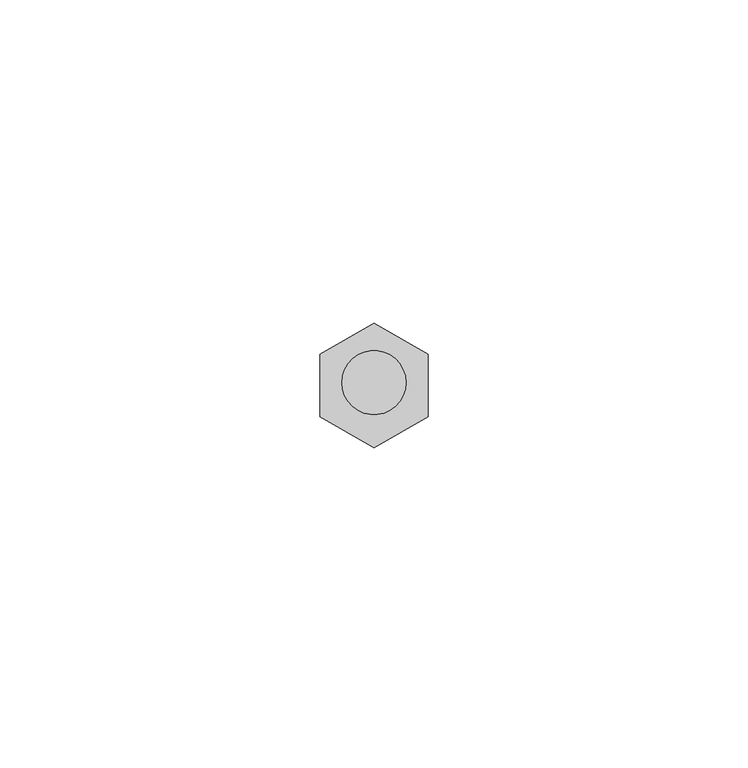
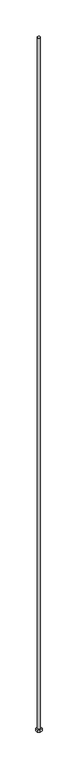
"""IFC4 building model written with IfcOpenShell, lengths in millimetres: proxy geometry."""

from ifc_helpers import new_model, si_unit, point, frame, origin, origin_2d, place, context, project, spatial, polyline, circle_curve, trimmed, segment, composite_curve, outline, extrude, source, transform, mapped, element, save


def generic_models_fc144796(model_context):
    return source(origin(), model_context, "Body", "SweptSolid", [
        extrude(outline(polyline([(-8.424, 4.8635987), (0.0, 9.7271973), (8.424, 4.8635987), (8.424, -4.8635987), (0.0, -9.7271973), (-8.424, -4.8635987), (-8.424, 4.8635987)])), frame((0.0, 0.0, 73.0), z_axis=(0.0, 0.0, 1.0), x_axis=(1.0, 0.0, 0.0)), (0.0, 0.0, 1.0), 10.0),
        extrude(outline(composite_curve([segment(trimmed(circle_curve(origin_2d(), 5.0), [point((-5.0, 0.0))], [point((5.0, 0.0))], False, "CARTESIAN"), True, "CONTINUOUS"), segment(trimmed(circle_curve(origin_2d(), 5.0), [point((5.0, 0.0))], [point((-5.0, 0.0))], False, "CARTESIAN"), True, "CONTINUOUS")], self_intersect=False)), frame((0.0, 0.0, 73.0), z_axis=(0.0, 0.0, 1.0), x_axis=(1.0, 0.0, 0.0)), (0.0, 0.0, 1.0), 2604.0),
    ])


if __name__ == "__main__":
    model = new_model("IFC4")
    model_context = context("Model", 3, world=origin())
    ifc_project = project(units=[si_unit("LENGTHUNIT", "METRE", prefix="MILLI")], contexts=[model_context])
    site = spatial("IfcSite", under=ifc_project)
    building = spatial("IfcBuilding", under=site)
    placement = place(None, origin())
    generic_models_shape = generic_models_fc144796(model_context)
    element("IfcBuildingElementProxy", 1, Name="Generic Models", at=placement, inside=building, context=model_context, shape_type="MappedRepresentation", body=[
        mapped(generic_models_shape, transform((0.0, 0.0, 0.0), x_axis=(1.0, 0.0, 0.0), y_axis=(0.0, 1.0, 0.0), z_axis=(0.0, 0.0, 1.0))),
    ])
    save(model, "model.ifc")
